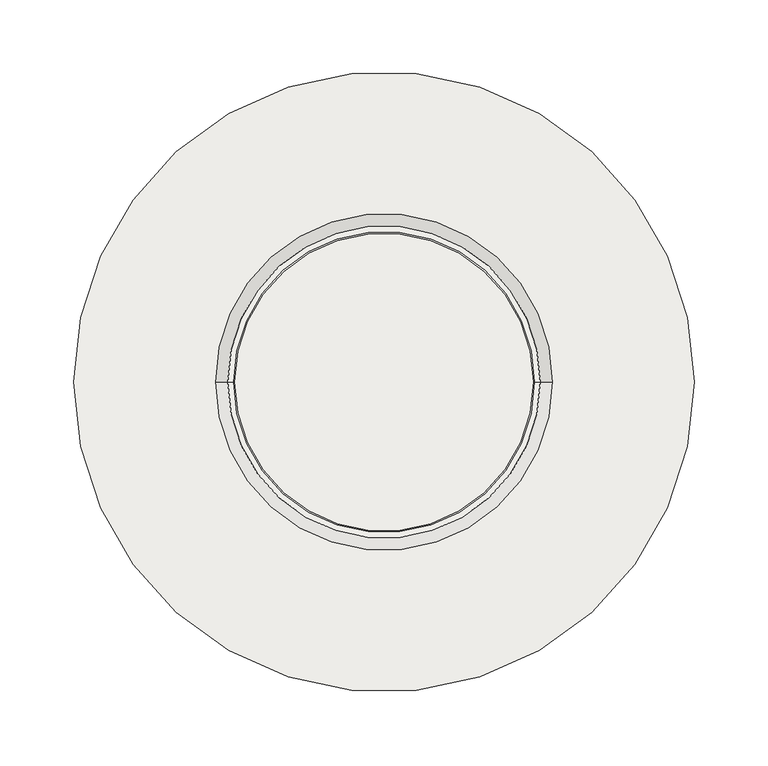
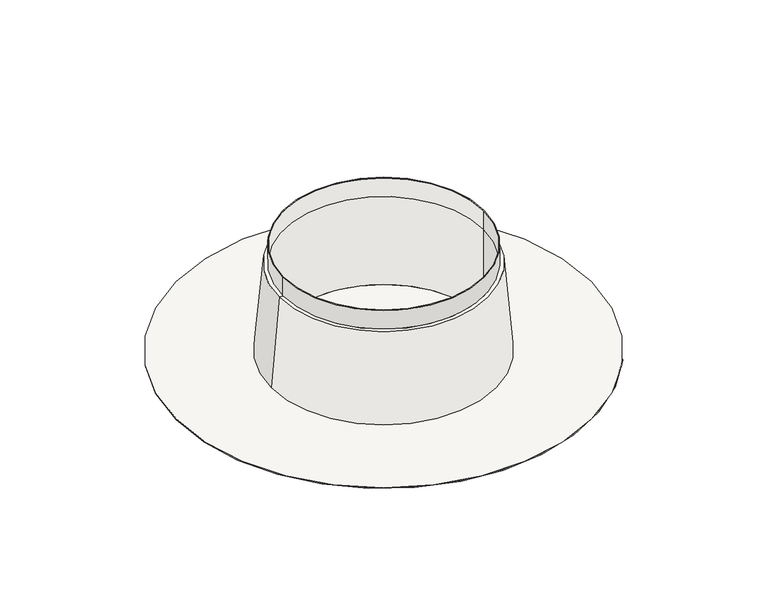
"""IFC4 building model written with IfcOpenShell, lengths in millimetres: covering geometry."""

import ifcopenshell
import ifcopenshell.guid

model = None  # the IFC model being written
_history = None  # IfcOwnerHistory: only IFC2X3 demands one
_inside = {}  # id of a spatial element -> (the spatial element, [elements in it])
_under = {}  # id of a project, library or spatial element -> (it, [spatial elements below it])
_declared = {}  # id of a project -> (the project, [libraries it declares])
_typed = {}  # id of a type object -> (the type object, [elements of that type])
_made_of = {}  # id of a material, layer set ... -> (it, [elements and type objects made of it])


def new_model(schema):
    """Start an empty IFC model of exactly this schema.

    Asked for "IFC4X3", IfcOpenShell would pick the latest addendum, in which some entities
    have other attributes; the version numbers below select the first issue.
    IFC2X3 requires an IfcOwnerHistory on every rooted entity: one is made here for all.
    """
    global model, _history
    if schema == "IFC4X3":
        model = ifcopenshell.file(schema_version=(4, 3, 0, 0))
    else:
        model = ifcopenshell.file(schema=schema)
    _inside.clear()
    _under.clear()
    _declared.clear()
    _typed.clear()
    _made_of.clear()
    _history = None
    if model.schema == "IFC2X3":
        org = make("IfcOrganization", Name="unknown")
        user = make(
            "IfcPersonAndOrganization",
            ThePerson=make("IfcPerson", FamilyName="unknown"),
            TheOrganization=org,
        )
        app = make(
            "IfcApplication",
            ApplicationDeveloper=org,
            Version="unknown",
            ApplicationFullName="unknown",
            ApplicationIdentifier="unknown",
        )
        _history = make(
            "IfcOwnerHistory",
            OwningUser=user,
            OwningApplication=app,
            ChangeAction="ADDED",
            CreationDate=0,
        )
    return model


def make(cls, **values):
    """One entity of the class cls with the attributes given. An attribute that is None is left unset."""
    return model.create_entity(
        cls, **{name: value for name, value in values.items() if value is not None}
    )


def rooted(cls, **values):
    """An entity with a GlobalId (a new one), such as an element, a storey or a relation."""
    return make(cls, GlobalId=ifcopenshell.guid.new(), OwnerHistory=_history, **values)


def si_unit(unit_type, name, prefix=None):
    """IfcSIUnit, for example si_unit("LENGTHUNIT", "METRE", prefix="MILLI")."""
    return make("IfcSIUnit", UnitType=unit_type, Prefix=prefix, Name=name)


def assignment(units):
    """IfcUnitAssignment: the units of a project."""
    return None if units is None else make("IfcUnitAssignment", Units=units)


def point(xyz):
    """IfcCartesianPoint."""
    return None if xyz is None else make("IfcCartesianPoint", Coordinates=xyz)


def direction(xyz):
    """IfcDirection."""
    return None if xyz is None else make("IfcDirection", DirectionRatios=xyz)


def frame(location, z_axis=None, x_axis=None):
    """IfcAxis2Placement3D, a coordinate frame: its origin and axes. An axis left out is left unset."""
    return make(
        "IfcAxis2Placement3D",
        Location=point(location),
        Axis=direction(z_axis),
        RefDirection=direction(x_axis),
    )


def origin():
    """The frame at (0, 0, 0) with its axes left unset."""
    return frame((0.0, 0.0, 0.0))


def origin_with_axes():
    """The frame at (0, 0, 0) with the z axis (0, 0, 1) and the x axis (1, 0, 0) written out."""
    return frame((0.0, 0.0, 0.0), z_axis=(0.0, 0.0, 1.0), x_axis=(1.0, 0.0, 0.0))


def place(relative_to, where):
    """IfcLocalPlacement: puts the frame where relative to a parent placement (None: the world)."""
    return make(
        "IfcLocalPlacement", PlacementRelTo=relative_to, RelativePlacement=where
    )


def context(
    kind, dimensions, precision=None, world=None, true_north=None, identifier=None
):
    """IfcGeometricRepresentationContext, for example the 3D "Model" context."""
    return make(
        "IfcGeometricRepresentationContext",
        ContextIdentifier=identifier,
        ContextType=kind,
        CoordinateSpaceDimension=dimensions,
        Precision=precision,
        WorldCoordinateSystem=world,
        TrueNorth=true_north,
    )


def project(units=None, contexts=None):
    """IfcProject with its units and contexts."""
    return rooted(
        "IfcProject",
        Name="project",
        RepresentationContexts=contexts,
        UnitsInContext=assignment(units),
    )


def spatial(cls, under=None, at=None, **own):
    """A site, building, storey or space (cls), placed at a placement, below another one or the project."""
    s = rooted(cls, ObjectPlacement=at, **own)
    if under is not None:
        _under.setdefault(under.id(), (under, []))[1].append(s)
    return s


def polyline(points):
    """IfcPolyline through the points."""
    return make("IfcPolyline", Points=[point(p) for p in points])


def circle_curve(where, radius):
    """IfcCircle in the frame where."""
    return make("IfcCircle", Position=where, Radius=radius)


def shape(context_of_items, identifier, shape_type, items):
    """IfcShapeRepresentation: the items that make up one representation, for example the "Body"."""
    return make(
        "IfcShapeRepresentation",
        ContextOfItems=context_of_items,
        RepresentationIdentifier=identifier,
        RepresentationType=shape_type,
        Items=items,
    )


def source(mapping_origin, context_of_items, identifier, shape_type, items):
    """IfcRepresentationMap: a shape defined once, which mapped items show again and again."""
    return make(
        "IfcRepresentationMap",
        MappingOrigin=mapping_origin,
        MappedRepresentation=shape(context_of_items, identifier, shape_type, items),
    )


def transform(
    local_origin,
    x_axis=None,
    y_axis=None,
    z_axis=None,
    scale=None,
    scale2=None,
    scale3=None,
    uniform=True,
):
    """IfcCartesianTransformationOperator3D, or its non-uniform kind. x_axis, y_axis, z_axis: its Axis1, 2, 3."""
    if uniform:
        return make(
            "IfcCartesianTransformationOperator3D",
            Axis1=direction(x_axis),
            Axis2=direction(y_axis),
            LocalOrigin=point(local_origin),
            Scale=scale,
            Axis3=direction(z_axis),
        )
    return make(
        "IfcCartesianTransformationOperator3DnonUniform",
        Axis1=direction(x_axis),
        Axis2=direction(y_axis),
        LocalOrigin=point(local_origin),
        Scale=scale,
        Axis3=direction(z_axis),
        Scale2=scale2,
        Scale3=scale3,
    )


def mapped(mapping_source, mapping_target):
    """IfcMappedItem: shows the shape of a source again, moved by a transform."""
    return make(
        "IfcMappedItem", MappingSource=mapping_source, MappingTarget=mapping_target
    )


def made_of(thing, what):
    """Note that an element or type object is made of a material, layer set ...; save() writes the relation."""
    if what is not None:
        _made_of.setdefault(what.id(), (what, []))[1].append(thing)
    return thing


def element(
    cls,
    number,
    at=None,
    inside=None,
    cuts=None,
    type_object=None,
    material=None,
    context=None,
    identifier="Body",
    shape_type=None,
    held_by="IfcProductDefinitionShape",
    body=None,
    shapes=None,
    **own,
):
    """One element of the class cls, such as IfcWall. Its Tag is "e" and its number.

    at: its placement. inside: the storey or other place that contains it. cuts: it is an
    opening in that element (IfcRelVoidsElement). A single representation is given by context,
    identifier, shape_type and body (its items); several are given by shapes. held_by: the class
    of the entity that holds the representations. save() writes the other relations.
    """
    e = rooted(cls, Tag="e%d" % number, ObjectPlacement=at, **own)
    if body is not None:
        shapes = [shape(context, identifier, shape_type, body)]
    if shapes is not None:
        e.Representation = make(held_by, Representations=shapes)
    if inside is not None:
        _inside.setdefault(inside.id(), (inside, []))[1].append(e)
    if cuts is not None:
        rooted(
            "IfcRelVoidsElement", RelatingBuildingElement=cuts, RelatedOpeningElement=e
        )
    if type_object is not None:
        _typed.setdefault(type_object.id(), (type_object, []))[1].append(e)
    return made_of(e, material)


def aggregate(whole, parts):
    """IfcRelAggregates: a whole, such as a stair, and the parts it consists of."""
    return rooted("IfcRelAggregates", RelatingObject=whole, RelatedObjects=parts)


def save(model, path):
    """Write the relations noted so far, then the file.

    IfcRelAggregates (storeys below a building ...), IfcRelContainedInSpatialStructure (elements
    in a storey), IfcRelDefinesByType, IfcRelAssociatesMaterial and IfcRelDeclares: one each for
    every whole, place, type object, material and project.
    """
    for whole, parts in _under.values():
        aggregate(whole, parts)
    for where, things in _inside.values():
        rooted(
            "IfcRelContainedInSpatialStructure",
            RelatedElements=things,
            RelatingStructure=where,
        )
    for kind, things in _typed.values():
        rooted("IfcRelDefinesByType", RelatedObjects=things, RelatingType=kind)
    for what, things in _made_of.values():
        rooted("IfcRelAssociatesMaterial", RelatedObjects=things, RelatingMaterial=what)
    for by, libraries in _declared.values():
        rooted("IfcRelDeclares", RelatingContext=by, RelatedDefinitions=libraries)
    model.write(path)


def plane_surface(at):
    """IfcPlane: the flat surface through the origin of the frame at, square to its z axis."""
    return make("IfcPlane", Position=at)


def cylinder_surface(at, radius):
    """IfcCylindricalSurface: all points at the distance radius from the z axis of the frame at."""
    return make("IfcCylindricalSurface", Position=at, Radius=radius)


def revolved_surface(curve, axis_point, axis_direction):
    """IfcSurfaceOfRevolution: the curve turned about the line through axis_point along axis_direction."""
    return make(
        "IfcSurfaceOfRevolution",
        SweptCurve=make("IfcArbitraryOpenProfileDef", ProfileType="CURVE", Curve=curve),
        AxisPosition=make("IfcAxis1Placement", Location=point(axis_point), Axis=direction(axis_direction)),
    )


def advanced_brep(points, edges, surfaces, faces):
    """IfcAdvancedBrep: a solid bounded by faces that lie on surfaces and meet in shared edges.

    An edge is (start, end): straight between two places in points (the first is 0);
    or (start, end, curve); or (start, end, curve, False) where it runs against its curve.
    A face is (place in surfaces, loops), or (place, loops, False) where it looks against
    its surface's normal. A loop lists edges by number (the first is 1), with a minus sign
    where the edge is run from its end to its start. The first loop is the outer one.
    """
    corners = [point(p) for p in points]
    vertices = [make("IfcVertexPoint", VertexGeometry=c) for c in corners]
    made = []
    for start, end, *more in edges:
        made.append(
            make(
                "IfcEdgeCurve",
                EdgeStart=vertices[start],
                EdgeEnd=vertices[end],
                EdgeGeometry=more[0] if more else make("IfcPolyline", Points=[corners[start], corners[end]]),
                SameSense=more[1] if len(more) > 1 else True,
            )
        )
    hull = []
    for where, loops, *sense in faces:
        bounds = []
        for j, loop in enumerate(loops):
            ring = [make("IfcOrientedEdge", EdgeElement=made[abs(k) - 1], Orientation=k > 0) for k in loop]
            bounds.append(
                make(
                    "IfcFaceOuterBound" if j == 0 else "IfcFaceBound",
                    Bound=make("IfcEdgeLoop", EdgeList=ring),
                    Orientation=True,
                )
            )
        hull.append(make("IfcAdvancedFace", Bounds=bounds, FaceSurface=surfaces[where], SameSense=sense[0] if sense else True))
    return make("IfcAdvancedBrep", Outer=make("IfcClosedShell", CfsFaces=hull))


def covering_65d68dae(model_context):
    return source(origin(), model_context, "Body", "AdvancedBrep", [
        advanced_brep(
        [(-210.0, 0.0, 1.0), (210.0, 0.0, 1.0), (-113.9739344, 0.0, 1.0), (113.9739344, 0.0, 1.0), (100.9, 0.0, 1.0), (-100.9, 0.0, 1.0), (-210.0, 0.0, 0.0), (210.0, 0.0, 0.0), (-105.75, 0.0, 95.0), (105.75, 0.0, 95.0), (-101.9, 0.0, 95.0), (101.9, 0.0, 95.0), (-100.9, 0.0, 95.0), (100.9, 0.0, 95.0), (-101.9, 0.0, 115.0), (101.9, 0.0, 115.0), (-100.9, 0.0, 115.0), (100.9, 0.0, 115.0)],
        [
            (0, 1, circle_curve(frame((0.0, 0.0, 1.0), z_axis=(0.0, 0.0, 1.0), x_axis=(1.0, 0.0, 0.0)), 210.0)),
            (1, 0, circle_curve(frame((0.0, 0.0, 1.0), z_axis=(0.0, 0.0, 1.0), x_axis=(1.0, 0.0, 0.0)), 210.0)),
            (2, 3, circle_curve(frame((0.0, 0.0, 1.0), z_axis=(0.0, 0.0, -1.0), x_axis=(-1.0, 0.0, 0.0)), 113.9739344)),
            (3, 2, circle_curve(frame((0.0, 0.0, 1.0), z_axis=(0.0, 0.0, -1.0), x_axis=(-1.0, 0.0, 0.0)), 113.9739344)),
            (4, 5, circle_curve(frame((0.0, 0.0, 1.0), z_axis=(0.0, 0.0, 1.0), x_axis=(-1.0, 0.0, 0.0)), 100.9)),
            (5, 4, circle_curve(frame((0.0, 0.0, 1.0), z_axis=(0.0, 0.0, 1.0), x_axis=(-1.0, 0.0, 0.0)), 100.9)),
            (6, 7, circle_curve(frame((0.0, 0.0, 0.0), z_axis=(0.0, 0.0, -1.0), x_axis=(1.0, 0.0, 0.0)), 210.0)),
            (7, 6, circle_curve(frame((0.0, 0.0, 0.0), z_axis=(0.0, 0.0, -1.0), x_axis=(1.0, 0.0, 0.0)), 210.0)),
            (0, 6),
            (7, 1),
            (2, 8),
            (8, 9, circle_curve(frame((0.0, 0.0, 95.0), z_axis=(0.0, 0.0, -1.0), x_axis=(-1.0, 0.0, 0.0)), 105.75)),
            (9, 3),
            (9, 8, circle_curve(frame((0.0, 0.0, 95.0), z_axis=(0.0, 0.0, -1.0), x_axis=(-1.0, 0.0, 0.0)), 105.75)),
            (8, 10),
            (10, 11, circle_curve(frame((0.0, 0.0, 95.0), z_axis=(0.0, 0.0, -1.0), x_axis=(1.0, 0.0, 0.0)), 101.9)),
            (11, 9),
            (11, 10, circle_curve(frame((0.0, 0.0, 95.0), z_axis=(0.0, 0.0, -1.0), x_axis=(1.0, 0.0, 0.0)), 101.9)),
            (12, 5),
            (4, 13),
            (13, 12, circle_curve(frame((0.0, 0.0, 95.0), z_axis=(0.0, 0.0, 1.0), x_axis=(-1.0, 0.0, 0.0)), 100.9)),
            (12, 13, circle_curve(frame((0.0, 0.0, 95.0), z_axis=(0.0, 0.0, 1.0), x_axis=(-1.0, 0.0, 0.0)), 100.9)),
            (14, 15, circle_curve(frame((0.0, 0.0, 115.0), z_axis=(0.0, 0.0, 1.0), x_axis=(1.0, 0.0, 0.0)), 101.9)),
            (15, 14, circle_curve(frame((0.0, 0.0, 115.0), z_axis=(0.0, 0.0, 1.0), x_axis=(1.0, 0.0, 0.0)), 101.9)),
            (16, 17, circle_curve(frame((0.0, 0.0, 115.0), z_axis=(0.0, 0.0, -1.0), x_axis=(1.0, 0.0, 0.0)), 100.9)),
            (17, 16, circle_curve(frame((0.0, 0.0, 115.0), z_axis=(0.0, 0.0, -1.0), x_axis=(1.0, 0.0, 0.0)), 100.9)),
            (14, 10),
            (11, 15),
            (16, 12),
            (13, 17),
        ],
        [
            plane_surface(frame((210.0, 0.0, 1.0), z_axis=(0.0, 0.0, 1.0), x_axis=(0.0, 1.0, 0.0))),
            plane_surface(frame((210.0, 0.0, 0.0), z_axis=(0.0, 0.0, -1.0), x_axis=(0.0, -1.0, 0.0))),
            cylinder_surface(origin_with_axes(), 210.0),
            revolved_surface(polyline([(-105.75, 0.0, 95.0), (-113.9739344, 0.0, 1.0)]), (0.0, 0.0, 2179.3150031), (0.0, 0.0, -1.0)),
            plane_surface(frame((0.0, 0.0, 95.0), z_axis=(0.0, 0.0, 1.0), x_axis=(-1.0, 0.0, 0.0))),
            revolved_surface(polyline([(-100.9, 0.0, 1.0), (-100.9, 0.0, 95.0)]), (0.0, 0.0, 2179.3150031), (0.0, 0.0, -1.0)),
            plane_surface(frame((101.9, 0.0, 115.0), z_axis=(0.0, 0.0, 1.0), x_axis=(0.0, 1.0, 0.0))),
            cylinder_surface(frame((0.0, 0.0, 95.0), z_axis=(0.0, 0.0, 1.0), x_axis=(1.0, 0.0, 0.0)), 101.9),
            revolved_surface(polyline([(100.9, 0.0, 95.0), (100.9, 0.0, 115.0)]), (0.0, 0.0, 0.0), (0.0, 0.0, -1.0)),
        ],
        [
            (0, [[1, 2], [3, 4]]),
            (0, [[5, 6]]),
            (1, [[7, 8]]),
            (2, [[-1, 9, -8, 10]]),
            (2, [[-2, -10, -7, -9]]),
            (3, [[11, 12, 13, -3]]),
            (3, [[-11, -4, -13, 14]]),
            (4, [[-12, 15, 16, 17]]),
            (4, [[-14, -17, 18, -15]]),
            (5, [[19, -5, 20, 21]]),
            (5, [[-19, 22, -20, -6]]),
            (6, [[23, 24], [25, 26]]),
            (7, [[-23, 27, -18, 28]]),
            (7, [[-24, -28, -16, -27]]),
            (8, [[-25, 29, -21, 30]]),
            (8, [[-26, -30, -22, -29]]),
        ],
    ),
    ])


if __name__ == "__main__":
    model = new_model("IFC4")
    model_context = context("Model", 3, world=origin())
    ifc_project = project(units=[si_unit("LENGTHUNIT", "METRE", prefix="MILLI")], contexts=[model_context])
    site = spatial("IfcSite", under=ifc_project)
    building = spatial("IfcBuilding", under=site)
    placement = place(None, origin())
    covering_shape = covering_65d68dae(model_context)
    element("IfcCovering", 1, at=placement, inside=building, context=model_context, shape_type="MappedRepresentation", body=[
        mapped(covering_shape, transform((0.0, 0.0, 0.0), x_axis=(1.0, 0.0, 0.0), y_axis=(0.0, 1.0, 0.0), z_axis=(0.0, 0.0, 1.0))),
    ])
    save(model, "model.ifc")
